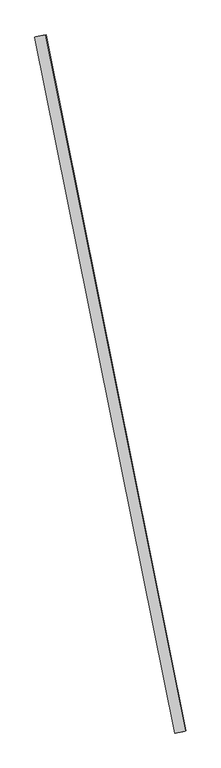
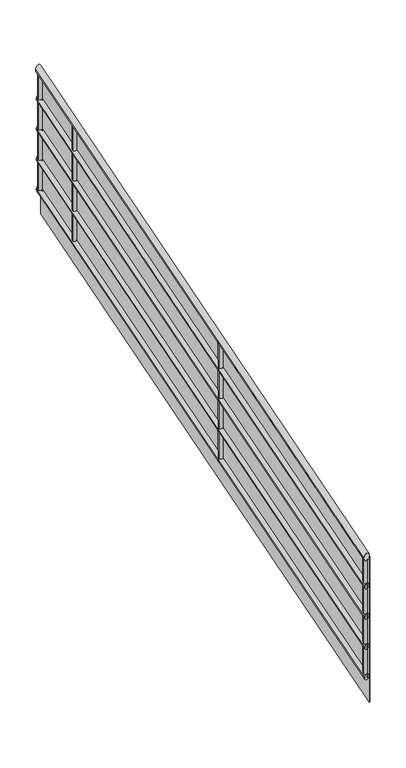
"""IFC4 building model written with IfcOpenShell, lengths in millimetres: railing geometry."""

from ifc_helpers import new_model, si_unit, frame, origin, place, context, project, spatial, ellipse_curve, faceted_brep, source, transform, mapped, element, save
from ifc_brep_helpers import plane_surface, cylinder_surface, advanced_brep


def railing_17ff4927(model_context):
    return source(origin(), model_context, "Body", "SolidModel", [
        advanced_brep(
        [(-66501.3934186, 20856.7475596, 1057.6911596), (-66462.1845853, 20864.6638333, 1057.6911596), (-67034.6760084, 23498.064532, 2875.8729778), (-66995.4671751, 23505.9808058, 2875.8729778)],
        [
            (0, 1, ellipse_curve(frame((-66481.7890019, 20860.7056964, 1057.6911596), z_axis=(0.19790684338259246, -0.980220832946504, 0.0), x_axis=(0.0, 0.0, -1.0)), 24.1270222, 20.0)),
            (1, 0, ellipse_curve(frame((-66481.7890019, 20860.7056964, 1057.6911596), z_axis=(0.19790684338259246, -0.980220832946504, 0.0), x_axis=(0.0, 0.0, -1.0)), 24.1270222, 20.0)),
            (2, 3, ellipse_curve(frame((-67015.0715918, 23502.0226689, 2875.8729778), z_axis=(-0.19790684338259246, 0.980220832946504, 0.0), x_axis=(0.0, 0.0, -1.0)), 24.1270222, 20.0)),
            (3, 2, ellipse_curve(frame((-67015.0715918, 23502.0226689, 2875.8729778), z_axis=(-0.19790684338259246, 0.980220832946504, 0.0), x_axis=(0.0, 0.0, -1.0)), 24.1270222, 20.0)),
            (0, 2),
            (3, 1),
        ],
        [
            plane_surface(frame((-66481.7890019, 20860.7056964, 1081.8181818), z_axis=(0.19790684338259246, -0.980220832946504, 0.0), x_axis=(0.980220832946504, 0.19790684338259246, 0.0))),
            plane_surface(frame((-67015.0715918, 23502.0226689, 2900.0), z_axis=(-0.19790684338259246, 0.980220832946504, 0.0), x_axis=(0.980220832946504, 0.19790684338259246, 0.0))),
            cylinder_surface(frame((-66484.0029009, 20871.6710064, 1065.2392606), z_axis=(0.16405409819250577, -0.8125501980124556, -0.5593285515474452), x_axis=(0.980220832946504, 0.19790684338259246, 0.0)), 20.0),
        ],
        [
            (0, [[1, 2]]),
            (1, [[3, 4]]),
            (2, [[-1, 5, -4, 6]]),
            (2, [[-2, -6, -3, -5]]),
        ],
    ),
        advanced_brep(
        [(-66496.4923144, 20857.7370938, 863.7229152), (-66467.0856894, 20863.6742991, 863.7229152), (-67029.7749042, 23499.0540662, 2681.9047334), (-67000.3682793, 23504.9912716, 2681.9047334)],
        [
            (0, 1, ellipse_curve(frame((-66481.7890019, 20860.7056964, 863.7229152), z_axis=(0.19790684338259246, -0.980220832946504, 0.0), x_axis=(0.0, 0.0, -1.0)), 18.0952666, 15.0)),
            (1, 0, ellipse_curve(frame((-66481.7890019, 20860.7056964, 863.7229152), z_axis=(0.19790684338259246, -0.980220832946504, 0.0), x_axis=(0.0, 0.0, -1.0)), 18.0952666, 15.0)),
            (2, 3, ellipse_curve(frame((-67015.0715918, 23502.0226689, 2681.9047334), z_axis=(-0.19790684338259246, 0.980220832946504, 0.0), x_axis=(0.0, 0.0, -1.0)), 18.0952666, 15.0)),
            (3, 2, ellipse_curve(frame((-67015.0715918, 23502.0226689, 2681.9047334), z_axis=(-0.19790684338259246, 0.980220832946504, 0.0), x_axis=(0.0, 0.0, -1.0)), 18.0952666, 15.0)),
            (0, 2),
            (3, 1),
        ],
        [
            plane_surface(frame((-66481.7890019, 20860.7056964, 881.8181818), z_axis=(0.19790684338259246, -0.980220832946504, 0.0), x_axis=(0.980220832946504, 0.19790684338259246, 0.0))),
            plane_surface(frame((-67015.0715918, 23502.0226689, 2700.0), z_axis=(-0.19790684338259246, 0.980220832946504, 0.0), x_axis=(0.980220832946504, 0.19790684338259246, 0.0))),
            cylinder_surface(frame((-66483.4494261, 20868.9296789, 869.3839909), z_axis=(0.16405409819250577, -0.8125501980124556, -0.5593285515474452), x_axis=(0.980220832946504, 0.19790684338259246, 0.0)), 15.0),
        ],
        [
            (0, [[1, 2]]),
            (1, [[3, 4]]),
            (2, [[-1, 5, -4, 6]]),
            (2, [[-2, -6, -3, -5]]),
        ],
    ),
        advanced_brep(
        [(-66496.4923144, 20857.7370938, 663.7229152), (-66467.0856894, 20863.6742991, 663.7229152), (-67029.7749042, 23499.0540662, 2481.9047334), (-67000.3682793, 23504.9912716, 2481.9047334)],
        [
            (0, 1, ellipse_curve(frame((-66481.7890019, 20860.7056964, 663.7229152), z_axis=(0.19790684338259246, -0.980220832946504, 0.0), x_axis=(0.0, 0.0, -1.0)), 18.0952666, 15.0)),
            (1, 0, ellipse_curve(frame((-66481.7890019, 20860.7056964, 663.7229152), z_axis=(0.19790684338259246, -0.980220832946504, 0.0), x_axis=(0.0, 0.0, -1.0)), 18.0952666, 15.0)),
            (2, 3, ellipse_curve(frame((-67015.0715918, 23502.0226689, 2481.9047334), z_axis=(-0.19790684338259246, 0.980220832946504, 0.0), x_axis=(0.0, 0.0, -1.0)), 18.0952666, 15.0)),
            (3, 2, ellipse_curve(frame((-67015.0715918, 23502.0226689, 2481.9047334), z_axis=(-0.19790684338259246, 0.980220832946504, 0.0), x_axis=(0.0, 0.0, -1.0)), 18.0952666, 15.0)),
            (0, 2),
            (3, 1),
        ],
        [
            plane_surface(frame((-66481.7890019, 20860.7056964, 681.8181818), z_axis=(0.19790684338259246, -0.980220832946504, 0.0), x_axis=(0.980220832946504, 0.19790684338259246, 0.0))),
            plane_surface(frame((-67015.0715918, 23502.0226689, 2500.0), z_axis=(-0.19790684338259246, 0.980220832946504, 0.0), x_axis=(0.980220832946504, 0.19790684338259246, 0.0))),
            cylinder_surface(frame((-66483.4494261, 20868.9296789, 669.3839909), z_axis=(0.16405409819250577, -0.8125501980124556, -0.5593285515474452), x_axis=(0.980220832946504, 0.19790684338259246, 0.0)), 15.0),
        ],
        [
            (0, [[1, 2]]),
            (1, [[3, 4]]),
            (2, [[-1, 5, -4, 6]]),
            (2, [[-2, -6, -3, -5]]),
        ],
    ),
        advanced_brep(
        [(-66496.4923144, 20857.7370938, 463.7229152), (-66467.0856894, 20863.6742991, 463.7229152), (-67029.7749042, 23499.0540662, 2281.9047334), (-67000.3682793, 23504.9912716, 2281.9047334)],
        [
            (0, 1, ellipse_curve(frame((-66481.7890019, 20860.7056964, 463.7229152), z_axis=(0.19790684338259246, -0.980220832946504, 0.0), x_axis=(0.0, 0.0, -1.0)), 18.0952666, 15.0)),
            (1, 0, ellipse_curve(frame((-66481.7890019, 20860.7056964, 463.7229152), z_axis=(0.19790684338259246, -0.980220832946504, 0.0), x_axis=(0.0, 0.0, -1.0)), 18.0952666, 15.0)),
            (2, 3, ellipse_curve(frame((-67015.0715918, 23502.0226689, 2281.9047334), z_axis=(-0.19790684338259246, 0.980220832946504, 0.0), x_axis=(0.0, 0.0, -1.0)), 18.0952666, 15.0)),
            (3, 2, ellipse_curve(frame((-67015.0715918, 23502.0226689, 2281.9047334), z_axis=(-0.19790684338259246, 0.980220832946504, 0.0), x_axis=(0.0, 0.0, -1.0)), 18.0952666, 15.0)),
            (0, 2),
            (3, 1),
        ],
        [
            plane_surface(frame((-66481.7890019, 20860.7056964, 481.8181818), z_axis=(0.19790684338259246, -0.980220832946504, 0.0), x_axis=(0.980220832946504, 0.19790684338259246, 0.0))),
            plane_surface(frame((-67015.0715918, 23502.0226689, 2300.0), z_axis=(-0.19790684338259246, 0.980220832946504, 0.0), x_axis=(0.980220832946504, 0.19790684338259246, 0.0))),
            cylinder_surface(frame((-66483.4494261, 20868.9296789, 469.3839909), z_axis=(0.16405409819250574, -0.8125501980124555, -0.5593285515474453), x_axis=(0.980220832946504, 0.19790684338259246, 0.0)), 15.0),
        ],
        [
            (0, [[1, 2]]),
            (1, [[3, 4]]),
            (2, [[-1, 5, -4, 6]]),
            (2, [[-2, -6, -3, -5]]),
        ],
    ),
        advanced_brep(
        [(-66496.4923144, 20857.7370938, 263.7229152), (-66467.0856894, 20863.6742991, 263.7229152), (-67029.7749042, 23499.0540662, 2081.9047334), (-67000.3682793, 23504.9912716, 2081.9047334)],
        [
            (0, 1, ellipse_curve(frame((-66481.7890019, 20860.7056964, 263.7229152), z_axis=(0.19790684338259246, -0.980220832946504, 0.0), x_axis=(0.0, 0.0, -1.0)), 18.0952666, 15.0)),
            (1, 0, ellipse_curve(frame((-66481.7890019, 20860.7056964, 263.7229152), z_axis=(0.19790684338259246, -0.980220832946504, 0.0), x_axis=(0.0, 0.0, -1.0)), 18.0952666, 15.0)),
            (2, 3, ellipse_curve(frame((-67015.0715918, 23502.0226689, 2081.9047334), z_axis=(-0.19790684338259246, 0.980220832946504, 0.0), x_axis=(0.0, 0.0, -1.0)), 18.0952666, 15.0)),
            (3, 2, ellipse_curve(frame((-67015.0715918, 23502.0226689, 2081.9047334), z_axis=(-0.19790684338259246, 0.980220832946504, 0.0), x_axis=(0.0, 0.0, -1.0)), 18.0952666, 15.0)),
            (0, 2),
            (3, 1),
        ],
        [
            plane_surface(frame((-66481.7890019, 20860.7056964, 281.8181818), z_axis=(0.19790684338259246, -0.980220832946504, 0.0), x_axis=(0.980220832946504, 0.19790684338259246, 0.0))),
            plane_surface(frame((-67015.0715918, 23502.0226689, 2100.0), z_axis=(-0.19790684338259246, 0.980220832946504, 0.0), x_axis=(0.980220832946504, 0.19790684338259246, 0.0))),
            cylinder_surface(frame((-66483.4494261, 20868.9296789, 269.3839909), z_axis=(0.16405409819250574, -0.8125501980124555, -0.5593285515474453), x_axis=(0.980220832946504, 0.19790684338259246, 0.0)), 15.0),
        ],
        [
            (0, [[1, 2]]),
            (1, [[3, 4]]),
            (2, [[-1, 5, -4, 6]]),
            (2, [[-2, -6, -3, -5]]),
        ],
    ),
        faceted_brep([(-66459.2439228, 20865.2575538, 1051.8181818), (-66465.1252478, 20864.0701128, 1051.8181818), (-66465.1252478, 20864.0701128, 86.7372942), (-66459.2439228, 20865.2575538, 86.7372942), (-66992.5265126, 23506.5745263, 2870.0), (-66992.5265126, 23506.5745263, 1904.9191124), (-66998.4078376, 23505.3870852, 1904.9191124), (-66998.4078376, 23505.3870852, 2870.0)], [[[0, 1, 2, 3]], [[4, 5, 6, 7]], [[1, 0, 4, 7]], [[2, 1, 7, 6]], [[3, 2, 6, 5]], [[0, 3, 5, 4]]]),
        advanced_brep(
        [(-66944.5126656, 23215.709531, 2652.9560225), (-66944.5126656, 23215.709531, 1870.9796624), (-66969.0181865, 23210.76186, 1870.9796624), (-66969.0181865, 23210.76186, 2652.9560225)],
        [
            (0, 1),
            (1, 2, ellipse_curve(frame((-66956.765426, 23213.2356955, 1870.9796624), z_axis=(0.11069494805051235, -0.5482654986885985, 0.8289460606238727), x_axis=(-0.1640540981925054, 0.8125501980124558, 0.5593285515474455)), 15.0793889, 12.5)),
            (2, 3),
            (3, 0, ellipse_curve(frame((-66956.765426, 23213.2356955, 2652.9560225), z_axis=(-0.11069494805051248, 0.5482654986885992, -0.8289460606238722), x_axis=(-0.1640540981925053, 0.8125501980124552, 0.559328551547446)), 15.0793889, 12.5)),
            (0, 3, ellipse_curve(frame((-66956.765426, 23213.2356955, 2652.9560225), z_axis=(-0.11069494805051248, 0.5482654986885992, -0.8289460606238722), x_axis=(-0.1640540981925053, 0.8125501980124552, 0.559328551547446)), 15.0793889, 12.5)),
            (2, 1, ellipse_curve(frame((-66956.765426, 23213.2356955, 1870.9796624), z_axis=(0.11069494805051235, -0.5482654986885985, 0.8289460606238727), x_axis=(-0.1640540981925054, 0.8125501980124558, 0.5593285515474455)), 15.0793889, 12.5)),
        ],
        [
            cylinder_surface(frame((-66956.765426, 23213.2356955, 1770.9796624), z_axis=(0.0, 0.0, 1.0000000000000002), x_axis=(-0.9802208329465042, -0.1979068433825921, 0.0)), 12.5),
            plane_surface(frame((-66986.218618, 23232.7935452, 2669.8246879), z_axis=(0.11069494805051248, -0.5482654986885992, 0.8289460606238722), x_axis=(0.9802208329465042, 0.1979068433825921, 0.0))),
            plane_surface(frame((-66976.3232758, 23183.7825036, 1854.110997), z_axis=(-0.11069494805051235, 0.5482654986885985, -0.8289460606238727), x_axis=(0.9802208329465042, 0.1979068433825921, 0.0))),
        ],
        [
            (0, [[1, 2, 3, 4]]),
            (0, [[-1, 5, -3, 6]]),
            (1, [[-4, -5]]),
            (2, [[-2, -6]]),
        ],
    ),
        advanced_brep(
        [(-66707.0244536, 22039.4445315, 1843.26008), (-66707.0244536, 22039.4445315, 1061.2837199), (-66731.5299744, 22034.4968604, 1061.2837199), (-66731.5299744, 22034.4968604, 1843.26008)],
        [
            (0, 1),
            (1, 2, ellipse_curve(frame((-66719.277214, 22036.970696, 1061.2837199), z_axis=(0.11069494805051235, -0.5482654986885985, 0.8289460606238727), x_axis=(-0.1640540981925054, 0.8125501980124558, 0.5593285515474455)), 15.0793889, 12.5)),
            (2, 3),
            (3, 0, ellipse_curve(frame((-66719.277214, 22036.970696, 1843.26008), z_axis=(-0.11069494805051248, 0.5482654986885992, -0.8289460606238722), x_axis=(-0.1640540981925053, 0.8125501980124552, 0.559328551547446)), 15.0793889, 12.5)),
            (0, 3, ellipse_curve(frame((-66719.277214, 22036.970696, 1843.26008), z_axis=(-0.11069494805051248, 0.5482654986885992, -0.8289460606238722), x_axis=(-0.1640540981925053, 0.8125501980124552, 0.559328551547446)), 15.0793889, 12.5)),
            (2, 1, ellipse_curve(frame((-66719.277214, 22036.970696, 1061.2837199), z_axis=(0.11069494805051235, -0.5482654986885985, 0.8289460606238727), x_axis=(-0.1640540981925054, 0.8125501980124558, 0.5593285515474455)), 15.0793889, 12.5)),
        ],
        [
            cylinder_surface(frame((-66719.277214, 22036.970696, 961.2837199), z_axis=(0.0, 0.0, 1.0000000000000002), x_axis=(-0.9802208329465042, -0.1979068433825921, 0.0)), 12.5),
            plane_surface(frame((-66748.7304059, 22056.5285457, 1860.1287454), z_axis=(0.11069494805051248, -0.5482654986885992, 0.8289460606238722), x_axis=(0.9802208329465042, 0.1979068433825921, 0.0))),
            plane_surface(frame((-66738.8350637, 22007.5175041, 1044.4150544), z_axis=(-0.11069494805051235, 0.5482654986885985, -0.8289460606238727), x_axis=(0.9802208329465042, 0.1979068433825921, 0.0))),
        ],
        [
            (0, [[1, 2, 3, 4]]),
            (0, [[-1, 5, -3, 6]]),
            (1, [[-4, -5]]),
            (2, [[-2, -6]]),
        ],
    ),
        advanced_brep(
        [(-67000.3449958, 23492.243744, 2843.3116229), (-67000.3449958, 23492.243744, 2061.3352628), (-67024.8505166, 23487.2960729, 2061.3352628), (-67024.8505166, 23487.2960729, 2843.3116229)],
        [
            (0, 1),
            (1, 2, ellipse_curve(frame((-67012.5977562, 23489.7699085, 2061.3352628), z_axis=(0.11069494805051235, -0.5482654986885985, 0.8289460606238727), x_axis=(-0.1640540981925054, 0.8125501980124558, 0.5593285515474455)), 15.0793889, 12.5)),
            (2, 3),
            (3, 0, ellipse_curve(frame((-67012.5977562, 23489.7699085, 2843.3116229), z_axis=(-0.11069494805051248, 0.5482654986885992, -0.8289460606238722), x_axis=(-0.1640540981925053, 0.8125501980124552, 0.559328551547446)), 15.0793889, 12.5)),
            (0, 3, ellipse_curve(frame((-67012.5977562, 23489.7699085, 2843.3116229), z_axis=(-0.11069494805051248, 0.5482654986885992, -0.8289460606238722), x_axis=(-0.1640540981925053, 0.8125501980124552, 0.559328551547446)), 15.0793889, 12.5)),
            (2, 1, ellipse_curve(frame((-67012.5977562, 23489.7699085, 2061.3352628), z_axis=(0.11069494805051235, -0.5482654986885985, 0.8289460606238727), x_axis=(-0.1640540981925054, 0.8125501980124558, 0.5593285515474455)), 15.0793889, 12.5)),
        ],
        [
            cylinder_surface(frame((-67012.5977562, 23489.7699085, 1961.3352628), z_axis=(0.0, 0.0, 1.0000000000000002), x_axis=(-0.9802208329465042, -0.1979068433825921, 0.0)), 12.5),
            plane_surface(frame((-67042.0509481, 23509.3277582, 2860.1802884), z_axis=(0.11069494805051248, -0.5482654986885992, 0.8289460606238722), x_axis=(0.9802208329465042, 0.1979068433825921, 0.0))),
            plane_surface(frame((-67032.1556059, 23460.3167166, 2044.4665974), z_axis=(-0.11069494805051235, 0.5482654986885985, -0.8289460606238727), x_axis=(0.9802208329465042, 0.1979068433825921, 0.0))),
        ],
        [
            (0, [[1, 2, 3, 4]]),
            (0, [[-1, 5, -3, 6]]),
            (1, [[-4, -5]]),
            (2, [[-2, -6]]),
        ],
    ),
        advanced_brep(
        [(-66472.0100771, 20875.4322924, 1041.9984702), (-66472.0100771, 20875.4322924, 260.0221101), (-66496.5155979, 20870.4846213, 260.0221101), (-66496.5155979, 20870.4846213, 1041.9984702)],
        [
            (0, 1),
            (1, 2, ellipse_curve(frame((-66484.2628375, 20872.9584568, 260.0221101), z_axis=(0.11069494805051235, -0.5482654986885985, 0.8289460606238727), x_axis=(-0.1640540981925054, 0.8125501980124558, 0.5593285515474455)), 15.0793889, 12.5)),
            (2, 3),
            (3, 0, ellipse_curve(frame((-66484.2628375, 20872.9584568, 1041.9984702), z_axis=(-0.11069494805051248, 0.5482654986885992, -0.8289460606238722), x_axis=(-0.1640540981925053, 0.8125501980124552, 0.559328551547446)), 15.0793889, 12.5)),
            (0, 3, ellipse_curve(frame((-66484.2628375, 20872.9584568, 1041.9984702), z_axis=(-0.11069494805051248, 0.5482654986885992, -0.8289460606238722), x_axis=(-0.1640540981925053, 0.8125501980124552, 0.559328551547446)), 15.0793889, 12.5)),
            (2, 1, ellipse_curve(frame((-66484.2628375, 20872.9584568, 260.0221101), z_axis=(0.11069494805051235, -0.5482654986885985, 0.8289460606238727), x_axis=(-0.1640540981925054, 0.8125501980124558, 0.5593285515474455)), 15.0793889, 12.5)),
        ],
        [
            cylinder_surface(frame((-66484.2628375, 20872.9584568, 160.0221101), z_axis=(0.0, 0.0, 1.0000000000000002), x_axis=(-0.9802208329465042, -0.1979068433825921, 0.0)), 12.5),
            plane_surface(frame((-66513.7160294, 20892.5163066, 1058.8671356), z_axis=(0.11069494805051248, -0.5482654986885992, 0.8289460606238722), x_axis=(0.9802208329465042, 0.1979068433825921, 0.0))),
            plane_surface(frame((-66503.8206872, 20843.5052649, 243.1534447), z_axis=(-0.11069494805051235, 0.5482654986885985, -0.8289460606238727), x_axis=(0.9802208329465042, 0.1979068433825921, 0.0))),
        ],
        [
            (0, [[1, 2, 3, 4]]),
            (0, [[-1, 5, -3, 6]]),
            (1, [[-4, -5]]),
            (2, [[-2, -6]]),
        ],
    ),
    ])


if __name__ == "__main__":
    model = new_model("IFC4")
    model_context = context("Model", 3, world=origin())
    ifc_project = project(units=[si_unit("LENGTHUNIT", "METRE", prefix="MILLI")], contexts=[model_context])
    site = spatial("IfcSite", under=ifc_project)
    building = spatial("IfcBuilding", under=site)
    placement = place(None, origin())
    railing_shape = railing_17ff4927(model_context)
    element("IfcRailing", 1, at=placement, inside=building, context=model_context, shape_type="MappedRepresentation", body=[
        mapped(railing_shape, transform((0.0, 0.0, 0.0), x_axis=(1.0, 0.0, 0.0), y_axis=(0.0, 1.0, 0.0), z_axis=(0.0, 0.0, 1.0))),
    ])
    save(model, "model.ifc")
